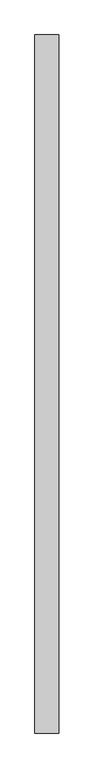
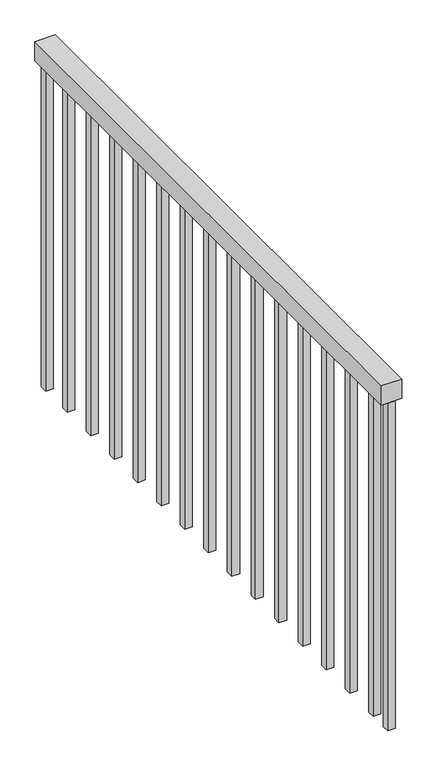
"""IFC4 building model written with IfcOpenShell, lengths in millimetres: railing geometry."""

from ifc_helpers import new_model, si_unit, frame, origin, place, context, project, spatial, polyline, outline, extrude, source, transform, mapped, element, save


def railing_1a794d33(model_context):
    return source(origin(), model_context, "Body", "SweptSolid", [
        extrude(outline(polyline([(-9231.4013164, 1522.1062192), (-9180.6013164, 1522.1062192), (-9180.6013164, 27.1062192), (-9231.4013164, 27.1062192), (-9231.4013164, 1522.1062192)])), frame((0.0, 0.0, 3903.6), z_axis=(0.0, 0.0, 1.0), x_axis=(1.0, 0.0, 0.0)), (0.0, 0.0, 1.0), 50.8),
        extrude(outline(polyline([(-9215.5263164, 109.2312192), (-9196.4763164, 109.2312192), (-9196.4763164, 90.1812192), (-9215.5263164, 90.1812192), (-9215.5263164, 109.2312192)])), frame((0.0, 0.0, 3040.0), z_axis=(0.0, 0.0, 1.0), x_axis=(1.0, 0.0, 0.0)), (0.0, 0.0, 1.0), 863.6),
        extrude(outline(polyline([(-9215.5263164, 210.8312192), (-9196.4763164, 210.8312192), (-9196.4763164, 191.7812192), (-9215.5263164, 191.7812192), (-9215.5263164, 210.8312192)])), frame((0.0, 0.0, 3040.0), z_axis=(0.0, 0.0, 1.0), x_axis=(1.0, 0.0, 0.0)), (0.0, 0.0, 1.0), 863.6),
        extrude(outline(polyline([(-9215.5263164, 312.4312192), (-9196.4763164, 312.4312192), (-9196.4763164, 293.3812192), (-9215.5263164, 293.3812192), (-9215.5263164, 312.4312192)])), frame((0.0, 0.0, 3040.0), z_axis=(0.0, 0.0, 1.0), x_axis=(1.0, 0.0, 0.0)), (0.0, 0.0, 1.0), 863.6),
        extrude(outline(polyline([(-9215.5263164, 414.0312192), (-9196.4763164, 414.0312192), (-9196.4763164, 394.9812192), (-9215.5263164, 394.9812192), (-9215.5263164, 414.0312192)])), frame((0.0, 0.0, 3040.0), z_axis=(0.0, 0.0, 1.0), x_axis=(1.0, 0.0, 0.0)), (0.0, 0.0, 1.0), 863.6),
        extrude(outline(polyline([(-9215.5263164, 515.6312192), (-9196.4763164, 515.6312192), (-9196.4763164, 496.5812192), (-9215.5263164, 496.5812192), (-9215.5263164, 515.6312192)])), frame((0.0, 0.0, 3040.0), z_axis=(0.0, 0.0, 1.0), x_axis=(1.0, 0.0, 0.0)), (0.0, 0.0, 1.0), 863.6),
        extrude(outline(polyline([(-9215.5263164, 617.2312192), (-9196.4763164, 617.2312192), (-9196.4763164, 598.1812192), (-9215.5263164, 598.1812192), (-9215.5263164, 617.2312192)])), frame((0.0, 0.0, 3040.0), z_axis=(0.0, 0.0, 1.0), x_axis=(1.0, 0.0, 0.0)), (0.0, 0.0, 1.0), 863.6),
        extrude(outline(polyline([(-9215.5263164, 718.8312192), (-9196.4763164, 718.8312192), (-9196.4763164, 699.7812192), (-9215.5263164, 699.7812192), (-9215.5263164, 718.8312192)])), frame((0.0, 0.0, 3040.0), z_axis=(0.0, 0.0, 1.0), x_axis=(1.0, 0.0, 0.0)), (0.0, 0.0, 1.0), 863.6),
        extrude(outline(polyline([(-9215.5263164, 820.4312192), (-9196.4763164, 820.4312192), (-9196.4763164, 801.3812192), (-9215.5263164, 801.3812192), (-9215.5263164, 820.4312192)])), frame((0.0, 0.0, 3040.0), z_axis=(0.0, 0.0, 1.0), x_axis=(1.0, 0.0, 0.0)), (0.0, 0.0, 1.0), 863.6),
        extrude(outline(polyline([(-9215.5263164, 922.0312192), (-9196.4763164, 922.0312192), (-9196.4763164, 902.9812192), (-9215.5263164, 902.9812192), (-9215.5263164, 922.0312192)])), frame((0.0, 0.0, 3040.0), z_axis=(0.0, 0.0, 1.0), x_axis=(1.0, 0.0, 0.0)), (0.0, 0.0, 1.0), 863.6),
        extrude(outline(polyline([(-9215.5263164, 1023.6312192), (-9196.4763164, 1023.6312192), (-9196.4763164, 1004.5812192), (-9215.5263164, 1004.5812192), (-9215.5263164, 1023.6312192)])), frame((0.0, 0.0, 3040.0), z_axis=(0.0, 0.0, 1.0), x_axis=(1.0, 0.0, 0.0)), (0.0, 0.0, 1.0), 863.6),
        extrude(outline(polyline([(-9215.5263164, 1125.2312192), (-9196.4763164, 1125.2312192), (-9196.4763164, 1106.1812192), (-9215.5263164, 1106.1812192), (-9215.5263164, 1125.2312192)])), frame((0.0, 0.0, 3040.0), z_axis=(0.0, 0.0, 1.0), x_axis=(1.0, 0.0, 0.0)), (0.0, 0.0, 1.0), 863.6),
        extrude(outline(polyline([(-9215.5263164, 1226.8312192), (-9196.4763164, 1226.8312192), (-9196.4763164, 1207.7812192), (-9215.5263164, 1207.7812192), (-9215.5263164, 1226.8312192)])), frame((0.0, 0.0, 3040.0), z_axis=(0.0, 0.0, 1.0), x_axis=(1.0, 0.0, 0.0)), (0.0, 0.0, 1.0), 863.6),
        extrude(outline(polyline([(-9215.5263164, 1328.4312192), (-9196.4763164, 1328.4312192), (-9196.4763164, 1309.3812192), (-9215.5263164, 1309.3812192), (-9215.5263164, 1328.4312192)])), frame((0.0, 0.0, 3040.0), z_axis=(0.0, 0.0, 1.0), x_axis=(1.0, 0.0, 0.0)), (0.0, 0.0, 1.0), 863.6),
        extrude(outline(polyline([(-9215.5263164, 1430.0312192), (-9196.4763164, 1430.0312192), (-9196.4763164, 1410.9812192), (-9215.5263164, 1410.9812192), (-9215.5263164, 1430.0312192)])), frame((0.0, 0.0, 3040.0), z_axis=(0.0, 0.0, 1.0), x_axis=(1.0, 0.0, 0.0)), (0.0, 0.0, 1.0), 863.6),
        extrude(outline(polyline([(-9215.5263164, 46.1312192), (-9196.4763164, 46.1312192), (-9196.4763164, 27.0812192), (-9215.5263164, 27.0812192), (-9215.5263164, 46.1312192)])), frame((0.0, 0.0, 3040.0), z_axis=(0.0, 0.0, 1.0), x_axis=(1.0, 0.0, 0.0)), (0.0, 0.0, 1.0), 863.6),
        extrude(outline(polyline([(-9215.5263164, 1522.1312192), (-9196.4763164, 1522.1312192), (-9196.4763164, 1503.0812192), (-9215.5263164, 1503.0812192), (-9215.5263164, 1522.1312192)])), frame((0.0, 0.0, 3040.0), z_axis=(0.0, 0.0, 1.0), x_axis=(1.0, 0.0, 0.0)), (0.0, 0.0, 1.0), 863.6),
    ])


if __name__ == "__main__":
    model = new_model("IFC4")
    model_context = context("Model", 3, world=origin())
    ifc_project = project(units=[si_unit("LENGTHUNIT", "METRE", prefix="MILLI")], contexts=[model_context])
    site = spatial("IfcSite", under=ifc_project)
    building = spatial("IfcBuilding", under=site)
    placement = place(None, origin())
    railing_shape = railing_1a794d33(model_context)
    element("IfcRailing", 1, at=placement, inside=building, context=model_context, shape_type="MappedRepresentation", body=[
        mapped(railing_shape, transform((0.0, 0.0, 0.0), x_axis=(1.0, 0.0, 0.0), y_axis=(0.0, 1.0, 0.0), z_axis=(0.0, 0.0, 1.0))),
    ])
    save(model, "model.ifc")
